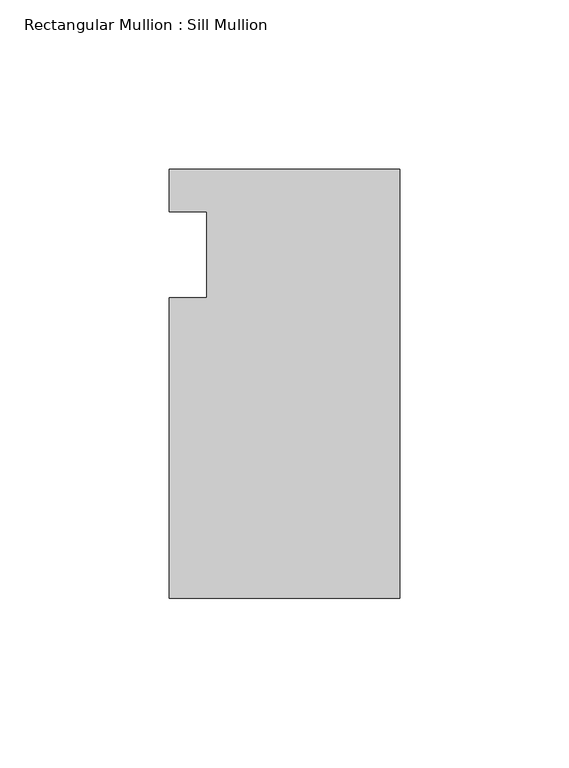
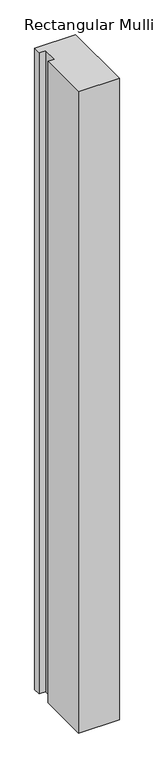
"""IFC4 building model written with IfcOpenShell, lengths in millimetres: member geometry, Rectangular Mullion : Sill Mullion."""

from ifc_helpers import new_model, si_unit, frame, origin, place, context, project, spatial, polyline, outline, extrude, source, transform, mapped, element, save


def rectangular_mullion_sill_mullion_b7f1a120(model_context):
    return source(origin(), model_context, "Body", "SweptSolid", [
        extrude(outline(polyline([(0.0, -101.6), (-68.2625, -101.6), (-68.2625, -12.6491029), (-57.112934, -12.6491029), (-57.112934, 12.7508971), (-68.2625, 12.7508971), (-68.2625, 25.4), (0.0, 25.4), (0.0, -101.6)])), frame((0.0, 0.0, -1133.475), z_axis=(0.0, 0.0, 1.0), x_axis=(1.0, 0.0, 0.0)), (0.0, 0.0, 1.0), 1133.475),
    ])


if __name__ == "__main__":
    model = new_model("IFC4")
    model_context = context("Model", 3, world=origin())
    ifc_project = project(units=[si_unit("LENGTHUNIT", "METRE", prefix="MILLI")], contexts=[model_context])
    site = spatial("IfcSite", under=ifc_project)
    building = spatial("IfcBuilding", under=site)
    placement = place(None, origin())
    rectangular_mullion_sill_mullion_shape = rectangular_mullion_sill_mullion_b7f1a120(model_context)
    element("IfcMember", 1, ObjectType="Rectangular Mullion : Sill Mullion", at=placement, inside=building, context=model_context, shape_type="MappedRepresentation", body=[
        mapped(rectangular_mullion_sill_mullion_shape, transform((0.0, 0.0, 0.0), x_axis=(1.0, 0.0, 0.0), y_axis=(0.0, 1.0, 0.0), z_axis=(0.0, 0.0, 1.0))),
    ])
    save(model, "model.ifc")
